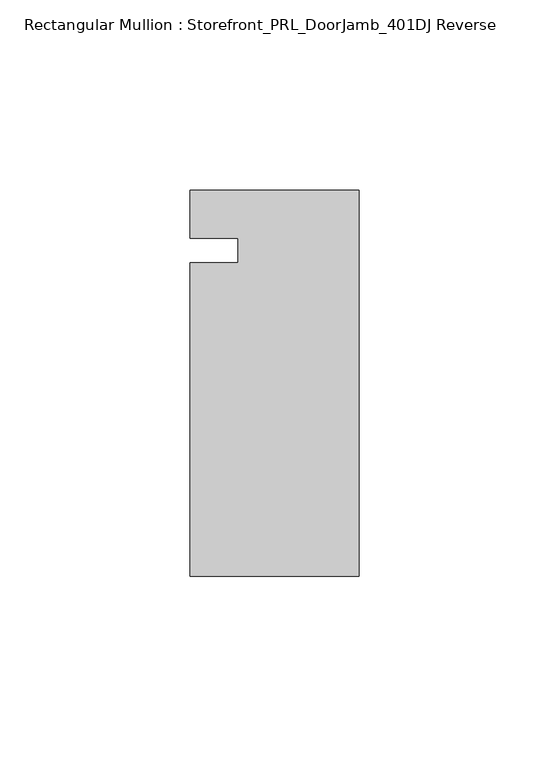
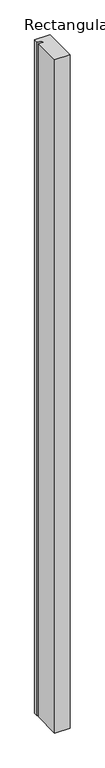
"""IFC4 building model written with IfcOpenShell, lengths in millimetres: member geometry, Rectangular Mullion : Storefront_PRL_DoorJamb_401DJ Reverse."""

from ifc_helpers import new_model, si_unit, frame, origin, place, context, project, spatial, polyline, outline, extrude, source, transform, mapped, element, save


def rectangular_mullion_storefront_prl_doorjamb_401dj_reverse_b3969c9f(model_context):
    return source(origin(), model_context, "Body", "SweptSolid", [
        extrude(outline(polyline([(-9.525, -3.175), (-9.525, 3.175), (-22.225, 3.175), (-22.225, 15.875), (22.225, 15.875), (22.225, -85.725), (-22.225, -85.725), (-22.225, -3.175), (-9.525, -3.175)])), frame((0.0, 0.0, -2078.83125), z_axis=(0.0, 0.0, 1.0), x_axis=(1.0, 0.0, 0.0)), (0.0, 0.0, 1.0), 2078.83125),
    ])


if __name__ == "__main__":
    model = new_model("IFC4")
    model_context = context("Model", 3, world=origin())
    ifc_project = project(units=[si_unit("LENGTHUNIT", "METRE", prefix="MILLI")], contexts=[model_context])
    site = spatial("IfcSite", under=ifc_project)
    building = spatial("IfcBuilding", under=site)
    placement = place(None, origin())
    rectangular_mullion_storefront_prl_doorjamb_401dj_reverse_shape = rectangular_mullion_storefront_prl_doorjamb_401dj_reverse_b3969c9f(model_context)
    element("IfcMember", 1, ObjectType="Rectangular Mullion : Storefront_PRL_DoorJamb_401DJ Reverse", at=placement, inside=building, context=model_context, shape_type="MappedRepresentation", body=[
        mapped(rectangular_mullion_storefront_prl_doorjamb_401dj_reverse_shape, transform((0.0, 0.0, 0.0), x_axis=(1.0, 0.0, 0.0), y_axis=(0.0, 1.0, 0.0), z_axis=(0.0, 0.0, 1.0))),
    ])
    save(model, "model.ifc")
